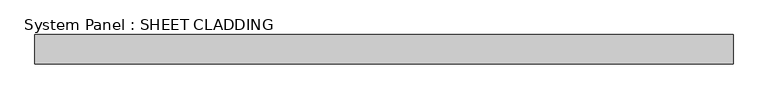
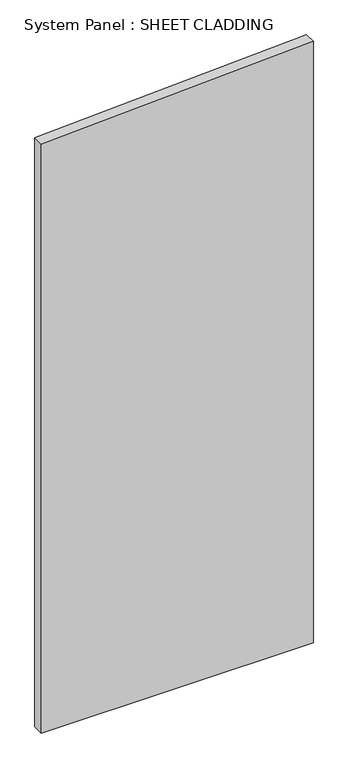
"""IFC4 building model written with IfcOpenShell, lengths in millimetres: plate geometry, System Panel : SHEET CLADDING."""

from ifc_helpers import new_model, si_unit, frame, origin, place, context, project, spatial, polyline, outline, extrude, source, transform, mapped, element, save


def system_panel_sheet_cladding_5a4e78e0(model_context):
    return source(origin(), model_context, "Body", "SweptSolid", [
        extrude(outline(polyline([(0.0, -718.75), (0.0, 718.75), (3360.1, 718.75), (3288.225, -718.75), (0.0, -718.75)])), frame((0.0, -49.5, 0.0), z_axis=(0.0, 1.0, 0.0), x_axis=(0.0, 0.0, 1.0)), (0.0, 0.0, 1.0), 60.0),
    ])


if __name__ == "__main__":
    model = new_model("IFC4")
    model_context = context("Model", 3, world=origin())
    ifc_project = project(units=[si_unit("LENGTHUNIT", "METRE", prefix="MILLI")], contexts=[model_context])
    site = spatial("IfcSite", under=ifc_project)
    building = spatial("IfcBuilding", under=site)
    placement = place(None, origin())
    system_panel_sheet_cladding_shape = system_panel_sheet_cladding_5a4e78e0(model_context)
    element("IfcPlate", 1, ObjectType="System Panel : SHEET CLADDING", at=placement, inside=building, context=model_context, shape_type="MappedRepresentation", body=[
        mapped(system_panel_sheet_cladding_shape, transform((0.0, 0.0, 0.0), x_axis=(1.0, 0.0, 0.0), y_axis=(0.0, 1.0, 0.0), z_axis=(0.0, 0.0, 1.0))),
    ])
    save(model, "model.ifc")
